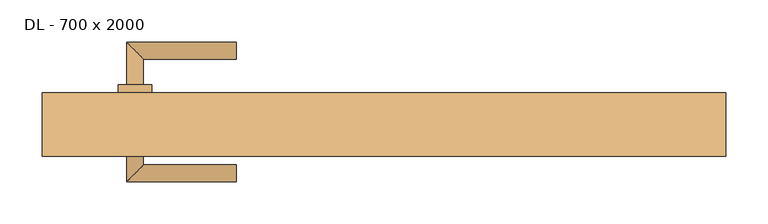
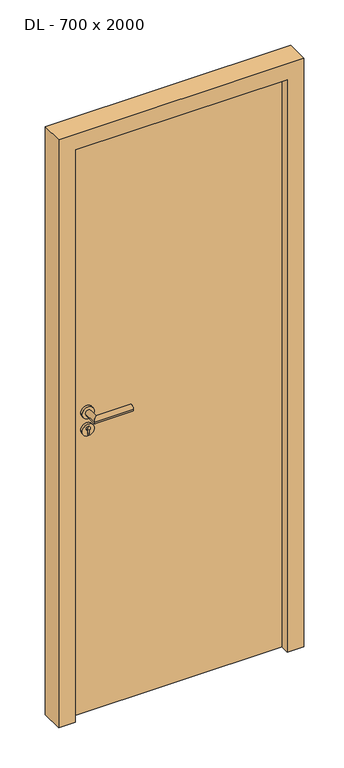
"""IFC4 building model written with IfcOpenShell, lengths in millimetres: door geometry, DL - 700 x 2000."""

from ifc_helpers import new_model, si_unit, point, frame, frame_2d, origin, origin_with_axes, place, context, project, spatial, polyline, circle_curve, ellipse_curve, trimmed, segment, composite_curve, outline, extrude, faceted_brep, source, transform, mapped, element, save
from ifc_brep_helpers import plane_surface, cylinder_surface, advanced_brep


def dl_700_x_2000_e5f71c5b(model_context):
    return source(origin(), model_context, "Body", "SolidModel", [
        extrude(outline(polyline([(361.0, 37.5), (361.0, -7.5), (-361.0, -7.5), (-361.0, 37.5), (361.0, 37.5)])), origin_with_axes(), (0.0, 0.0, 1.0), 2011.0),
        advanced_brep(
        [(-285.0, 47.5, 1050.0), (-305.0, 47.5, 1050.0), (-285.0, 77.5, 1050.0), (-305.0, 97.5, 1050.0), (-175.0, 77.5, 1050.0), (-175.0, 97.5, 1050.0)],
        [
            (0, 1, circle_curve(frame((-295.0, 47.5, 1050.0), z_axis=(0.0, -1.0, 0.0), x_axis=(-1.0, 0.0, 0.0)), 10.0)),
            (1, 0, circle_curve(frame((-295.0, 47.5, 1050.0), z_axis=(0.0, -1.0, 0.0), x_axis=(-1.0, 0.0, 0.0)), 10.0)),
            (0, 2),
            (2, 3, ellipse_curve(frame((-295.0, 87.5, 1050.0), z_axis=(-0.7071067811865531, -0.7071067811865419, 0.0), x_axis=(0.707106781186542, -0.707106781186553, 0.0)), 14.1421356, 10.0)),
            (3, 1),
            (3, 2, ellipse_curve(frame((-295.0, 87.5, 1050.0), z_axis=(-0.7071067811865531, -0.7071067811865419, 0.0), x_axis=(0.707106781186542, -0.707106781186553, 0.0)), 14.1421356, 10.0)),
            (4, 5, circle_curve(frame((-175.0, 87.5, 1050.0), z_axis=(1.0, 0.0, 0.0), x_axis=(0.0, 1.0, 0.0)), 10.0)),
            (5, 4, circle_curve(frame((-175.0, 87.5, 1050.0), z_axis=(1.0, 0.0, 0.0), x_axis=(0.0, 1.0, 0.0)), 10.0)),
            (2, 4),
            (5, 3),
        ],
        [
            plane_surface(frame((-295.0, 47.5, 1050.0), z_axis=(0.0, -1.0, 0.0), x_axis=(0.0, 0.0, 1.0))),
            cylinder_surface(frame((-295.0, 47.5, 1050.0), z_axis=(0.0, -1.0, 0.0), x_axis=(-1.0, 0.0, 0.0)), 10.0),
            plane_surface(frame((-175.0, 87.5, 1050.0), z_axis=(1.0, 0.0, 0.0), x_axis=(0.0, 0.0, 1.0))),
            cylinder_surface(frame((-295.0, 87.5, 1050.0), z_axis=(-1.0, 0.0, 0.0), x_axis=(0.0, 1.0, 0.0)), 10.0),
        ],
        [
            (0, [[1, 2]]),
            (1, [[-1, 3, 4, 5]]),
            (1, [[-2, -5, 6, -3]]),
            (2, [[7, 8]]),
            (3, [[-4, 9, -8, 10]]),
            (3, [[-6, -10, -7, -9]]),
        ],
    ),
        extrude(outline(composite_curve([segment(trimmed(circle_curve(frame_2d((990.0, -295.0)), 20.0), [point((990.0, -315.0))], [point((990.0, -275.0))], False, "CARTESIAN"), True, "CONTINUOUS"), segment(trimmed(circle_curve(frame_2d((990.0, -295.0)), 20.0), [point((990.0, -275.0))], [point((990.0, -315.0))], False, "CARTESIAN"), True, "CONTINUOUS")], self_intersect=False), holes=[composite_curve([segment(polyline([(976.4601385, -297.397268), (988.4749012, -297.397268)]), True, "CONTINUOUS"), segment(trimmed(circle_curve(frame_2d((995.0361633, -295.0)), 6.9854888), [point((988.4749012, -297.397268))], [point((988.4749012, -292.602732))], True, "CARTESIAN"), True, "CONTINUOUS"), segment(polyline([(988.4749012, -292.602732), (976.4601385, -292.602732)]), True, "CONTINUOUS"), segment(trimmed(circle_curve(frame_2d((976.4601385, -295.0)), 2.397268), [point((976.4601385, -292.602732))], [point((976.4601385, -297.397268))], True, "CARTESIAN"), True, "CONTINUOUS")], self_intersect=False)]), frame((0.0, 37.5, 0.0), z_axis=(0.0, 1.0, 0.0), x_axis=(0.0, 0.0, 1.0)), (0.0, 0.0, 1.0), 10.0),
        advanced_brep(
        [(-285.0, 47.5, 1050.0), (-305.0, 47.5, 1050.0), (-285.0, 77.5, 1050.0), (-305.0, 97.5, 1050.0), (-175.0, 77.5, 1050.0), (-175.0, 97.5, 1050.0)],
        [
            (0, 1, circle_curve(frame((-295.0, 47.5, 1050.0), z_axis=(0.0, -1.0, 0.0), x_axis=(-1.0, 0.0, 0.0)), 10.0)),
            (1, 0, circle_curve(frame((-295.0, 47.5, 1050.0), z_axis=(0.0, -1.0, 0.0), x_axis=(-1.0, 0.0, 0.0)), 10.0)),
            (0, 2),
            (2, 3, ellipse_curve(frame((-295.0, 87.5, 1050.0), z_axis=(-0.7071067811865537, -0.7071067811865414, 0.0), x_axis=(0.7071067811865414, -0.7071067811865536, 0.0)), 14.1421356, 10.0)),
            (3, 1),
            (3, 2, ellipse_curve(frame((-295.0, 87.5, 1050.0), z_axis=(-0.7071067811865537, -0.7071067811865414, 0.0), x_axis=(0.7071067811865414, -0.7071067811865536, 0.0)), 14.1421356, 10.0)),
            (4, 5, circle_curve(frame((-175.0, 87.5, 1050.0), z_axis=(1.0, 0.0, 0.0), x_axis=(0.0, 1.0, 0.0)), 10.0)),
            (5, 4, circle_curve(frame((-175.0, 87.5, 1050.0), z_axis=(1.0, 0.0, 0.0), x_axis=(0.0, 1.0, 0.0)), 10.0)),
            (2, 4),
            (5, 3),
        ],
        [
            plane_surface(frame((-295.0, 47.5, 1050.0), z_axis=(0.0, -1.0, 0.0), x_axis=(0.0, 0.0, 1.0))),
            cylinder_surface(frame((-295.0, 47.5, 1050.0), z_axis=(0.0, -1.0, 0.0), x_axis=(-1.0, 0.0, 0.0)), 10.0),
            plane_surface(frame((-175.0, 87.5, 1050.0), z_axis=(1.0, 0.0, 0.0), x_axis=(0.0, 0.0, 1.0))),
            cylinder_surface(frame((-295.0, 87.5, 1050.0), z_axis=(-1.0, 0.0, 0.0), x_axis=(0.0, 1.0, 0.0)), 10.0),
        ],
        [
            (0, [[1, 2]]),
            (1, [[-1, 3, 4, 5]]),
            (1, [[-2, -5, 6, -3]]),
            (2, [[7, 8]]),
            (3, [[-4, 9, -8, 10]]),
            (3, [[-6, -10, -7, -9]]),
        ],
    ),
        extrude(outline(composite_curve([segment(trimmed(circle_curve(frame_2d((1050.0, -295.0)), 20.0), [point((1050.0, -315.0))], [point((1050.0, -275.0))], False, "CARTESIAN"), True, "CONTINUOUS"), segment(trimmed(circle_curve(frame_2d((1050.0, -295.0)), 20.0), [point((1050.0, -275.0))], [point((1050.0, -315.0))], False, "CARTESIAN"), True, "CONTINUOUS")], self_intersect=False)), frame((0.0, 37.5, 0.0), z_axis=(0.0, 1.0, 0.0), x_axis=(0.0, 0.0, 1.0)), (0.0, 0.0, 1.0), 10.0),
        advanced_brep(
        [(-285.0, -17.5, 1050.0), (-305.0, -17.5, 1050.0), (-305.0, -67.5, 1050.0), (-285.0, -47.5, 1050.0), (-175.0, -47.5, 1050.0), (-175.0, -67.5, 1050.0)],
        [
            (0, 1, circle_curve(frame((-295.0, -17.5, 1050.0), z_axis=(0.0, 1.0, 0.0), x_axis=(-1.0, 0.0, 0.0)), 10.0)),
            (1, 0, circle_curve(frame((-295.0, -17.5, 1050.0), z_axis=(0.0, 1.0, 0.0), x_axis=(-1.0, 0.0, 0.0)), 10.0)),
            (1, 2),
            (2, 3, ellipse_curve(frame((-295.0, -57.5, 1050.0), z_axis=(-0.7071067811865486, 0.7071067811865464, 0.0), x_axis=(0.7071067811865464, 0.7071067811865488, 0.0)), 14.1421356, 10.0)),
            (3, 0),
            (3, 2, ellipse_curve(frame((-295.0, -57.5, 1050.0), z_axis=(-0.7071067811865486, 0.7071067811865464, 0.0), x_axis=(0.7071067811865464, 0.7071067811865488, 0.0)), 14.1421356, 10.0)),
            (4, 5, circle_curve(frame((-175.0, -57.5, 1050.0), z_axis=(1.0, 0.0, 0.0), x_axis=(0.0, -1.0, 0.0)), 10.0)),
            (5, 4, circle_curve(frame((-175.0, -57.5, 1050.0), z_axis=(1.0, 0.0, 0.0), x_axis=(0.0, -1.0, 0.0)), 10.0)),
            (2, 5),
            (4, 3),
        ],
        [
            plane_surface(frame((-295.0, -17.5, 1050.0), z_axis=(0.0, 1.0, 0.0), x_axis=(0.0, 0.0, 1.0))),
            cylinder_surface(frame((-295.0, -17.5, 1050.0), z_axis=(0.0, 1.0, 0.0), x_axis=(-1.0, 0.0, 0.0)), 10.0),
            plane_surface(frame((-175.0, -57.5, 1050.0), z_axis=(1.0, 0.0, 0.0), x_axis=(0.0, 0.0, 1.0))),
            cylinder_surface(frame((-295.0, -57.5, 1050.0), z_axis=(-1.0, 0.0, 0.0), x_axis=(0.0, -1.0, 0.0)), 10.0),
        ],
        [
            (0, [[1, 2]]),
            (1, [[3, 4, 5, -2]]),
            (1, [[-5, 6, -3, -1]]),
            (2, [[7, 8]]),
            (3, [[9, -7, 10, -4]]),
            (3, [[-10, -8, -9, -6]]),
        ],
    ),
        extrude(outline(composite_curve([segment(trimmed(circle_curve(frame_2d((990.0, -295.0)), 20.0), [point((990.0, -315.0))], [point((990.0, -275.0))], False, "CARTESIAN"), True, "CONTINUOUS"), segment(trimmed(circle_curve(frame_2d((990.0, -295.0)), 20.0), [point((990.0, -275.0))], [point((990.0, -315.0))], False, "CARTESIAN"), True, "CONTINUOUS")], self_intersect=False), holes=[composite_curve([segment(polyline([(976.4601385, -297.397268), (988.4749012, -297.397268)]), True, "CONTINUOUS"), segment(trimmed(circle_curve(frame_2d((995.0361633, -295.0)), 6.9854888), [point((988.4749012, -297.397268))], [point((988.4749012, -292.602732))], True, "CARTESIAN"), True, "CONTINUOUS"), segment(polyline([(988.4749012, -292.602732), (976.4601385, -292.602732)]), True, "CONTINUOUS"), segment(trimmed(circle_curve(frame_2d((976.4601385, -295.0)), 2.397268), [point((976.4601385, -292.602732))], [point((976.4601385, -297.397268))], True, "CARTESIAN"), True, "CONTINUOUS")], self_intersect=False)]), frame((0.0, -17.5, 0.0), z_axis=(0.0, 1.0, 0.0), x_axis=(0.0, 0.0, 1.0)), (0.0, 0.0, 1.0), 10.0),
        advanced_brep(
        [(-285.0, -17.5, 1050.0), (-305.0, -17.5, 1050.0), (-305.0, -67.5, 1050.0), (-285.0, -47.5, 1050.0), (-175.0, -47.5, 1050.0), (-175.0, -67.5, 1050.0)],
        [
            (0, 1, circle_curve(frame((-295.0, -17.5, 1050.0), z_axis=(0.0, 1.0, 0.0), x_axis=(-1.0, 0.0, 0.0)), 10.0)),
            (1, 0, circle_curve(frame((-295.0, -17.5, 1050.0), z_axis=(0.0, 1.0, 0.0), x_axis=(-1.0, 0.0, 0.0)), 10.0)),
            (1, 2),
            (2, 3, ellipse_curve(frame((-295.0, -57.5, 1050.0), z_axis=(-0.7071067811865491, 0.7071067811865459, 0.0), x_axis=(0.7071067811865458, 0.7071067811865492, 0.0)), 14.1421356, 10.0)),
            (3, 0),
            (3, 2, ellipse_curve(frame((-295.0, -57.5, 1050.0), z_axis=(-0.7071067811865491, 0.7071067811865459, 0.0), x_axis=(0.7071067811865458, 0.7071067811865492, 0.0)), 14.1421356, 10.0)),
            (4, 5, circle_curve(frame((-175.0, -57.5, 1050.0), z_axis=(1.0, 0.0, 0.0), x_axis=(0.0, -1.0, 0.0)), 10.0)),
            (5, 4, circle_curve(frame((-175.0, -57.5, 1050.0), z_axis=(1.0, 0.0, 0.0), x_axis=(0.0, -1.0, 0.0)), 10.0)),
            (2, 5),
            (4, 3),
        ],
        [
            plane_surface(frame((-295.0, -17.5, 1050.0), z_axis=(0.0, 1.0, 0.0), x_axis=(0.0, 0.0, 1.0))),
            cylinder_surface(frame((-295.0, -17.5, 1050.0), z_axis=(0.0, 1.0, 0.0), x_axis=(-1.0, 0.0, 0.0)), 10.0),
            plane_surface(frame((-175.0, -57.5, 1050.0), z_axis=(1.0, 0.0, 0.0), x_axis=(0.0, 0.0, 1.0))),
            cylinder_surface(frame((-295.0, -57.5, 1050.0), z_axis=(-1.0, 0.0, 0.0), x_axis=(0.0, -1.0, 0.0)), 10.0),
        ],
        [
            (0, [[1, 2]]),
            (1, [[3, 4, 5, -2]]),
            (1, [[-5, 6, -3, -1]]),
            (2, [[7, 8]]),
            (3, [[9, -7, 10, -4]]),
            (3, [[-10, -8, -9, -6]]),
        ],
    ),
        extrude(outline(composite_curve([segment(trimmed(circle_curve(frame_2d((1050.0, -295.0)), 20.0), [point((1050.0, -315.0))], [point((1050.0, -275.0))], False, "CARTESIAN"), True, "CONTINUOUS"), segment(trimmed(circle_curve(frame_2d((1050.0, -295.0)), 20.0), [point((1050.0, -275.0))], [point((1050.0, -315.0))], False, "CARTESIAN"), True, "CONTINUOUS")], self_intersect=False)), frame((0.0, -17.5, 0.0), z_axis=(0.0, 1.0, 0.0), x_axis=(0.0, 0.0, 1.0)), (0.0, 0.0, 1.0), 10.0),
        faceted_brep([(-365.0, 37.5, 0.0), (-365.0, -7.5, 0.0), (-350.0, -7.5, 0.0), (-350.0, -37.5, 0.0), (-405.0, -37.5, 0.0), (-405.0, 37.5, 0.0), (-365.0, 37.5, 2015.0), (-365.0, -7.5, 2015.0), (365.0, -7.5, 2015.0), (365.0, -7.5, 0.0), (350.0, -7.5, 0.0), (350.0, -7.5, 2000.0), (-350.0, -7.5, 2000.0), (-350.0, -37.5, 2000.0), (350.0, -37.5, 2000.0), (350.0, -37.5, 0.0), (405.0, -37.5, 0.0), (405.0, -37.5, 2055.0), (-405.0, -37.5, 2055.0), (-405.0, 37.5, 2055.0), (405.0, 37.5, 2055.0), (405.0, 37.5, 0.0), (365.0, 37.5, 0.0), (365.0, 37.5, 2015.0)], [[[0, 1, 2, 3, 4, 5]], [[1, 0, 6, 7]], [[2, 1, 7, 8, 9, 10, 11, 12]], [[3, 2, 12, 13]], [[4, 3, 13, 14, 15, 16, 17, 18]], [[5, 4, 18, 19]], [[0, 5, 19, 20, 21, 22, 23, 6]], [[20, 17, 16, 21]], [[22, 21, 16, 15, 10, 9]], [[8, 23, 22, 9]], [[14, 11, 10, 15]], [[19, 18, 17, 20]], [[13, 12, 11, 14]], [[7, 6, 23, 8]]]),
    ])


if __name__ == "__main__":
    model = new_model("IFC4")
    model_context = context("Model", 3, world=origin())
    ifc_project = project(units=[si_unit("LENGTHUNIT", "METRE", prefix="MILLI")], contexts=[model_context])
    site = spatial("IfcSite", under=ifc_project)
    building = spatial("IfcBuilding", under=site)
    placement = place(None, origin())
    dl_700_x_2000_shape = dl_700_x_2000_e5f71c5b(model_context)
    element("IfcDoor", 1, ObjectType="DL - 700 x 2000", at=placement, inside=building, context=model_context, shape_type="MappedRepresentation", body=[
        mapped(dl_700_x_2000_shape, transform((0.0, 0.0, 0.0), x_axis=(1.0, 0.0, 0.0), y_axis=(0.0, 1.0, 0.0), z_axis=(0.0, 0.0, 1.0))),
    ])
    save(model, "model.ifc")
